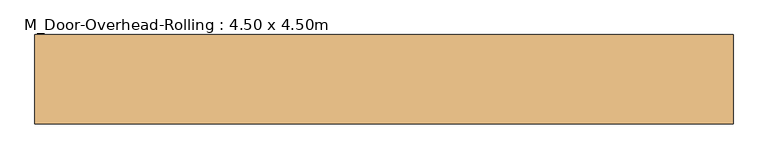
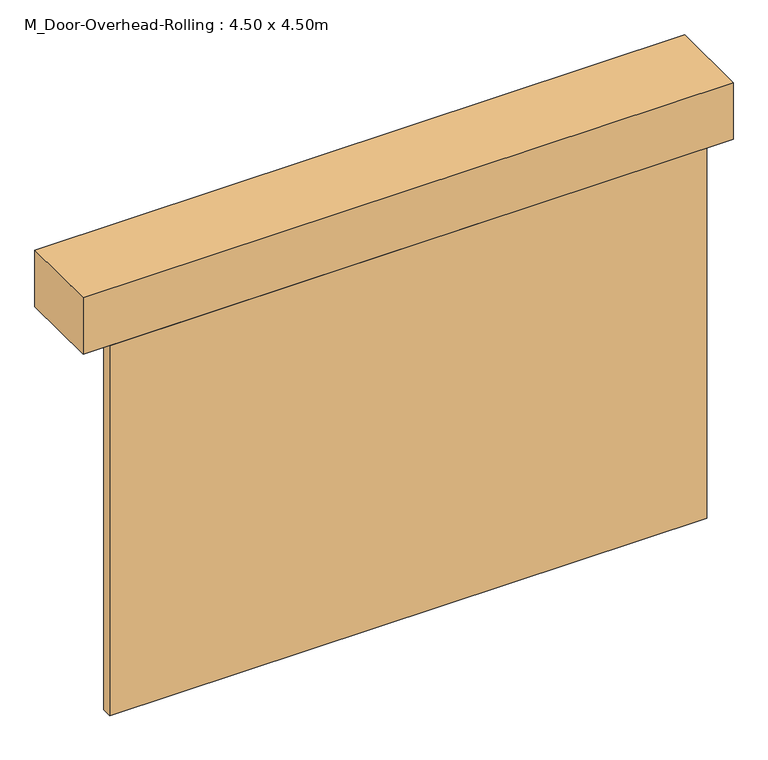
"""IFC4 building model written with IfcOpenShell, lengths in millimetres: door geometry, M_Door-Overhead-Rolling : 4.50 x 4.50m."""

from ifc_helpers import new_model, si_unit, frame, origin, origin_with_axes, place, context, project, spatial, polyline, outline, extrude, source, transform, mapped, element, save


def m_door_overhead_rolling_4_50_x_4_50m_eb43a97d(model_context):
    return source(origin(), model_context, "Body", "SweptSolid", [
        extrude(outline(polyline([(2490.7, 738.8), (2490.7, 100.0), (-2490.7, 100.0), (-2490.7, 738.8), (2490.7, 738.8)])), frame((0.0, 0.0, 3000.0), z_axis=(0.0, 0.0, 1.0), x_axis=(1.0, 0.0, 0.0)), (0.0, 0.0, 1.0), 457.2),
        extrude(outline(polyline([(2287.5, 100.0), (-2287.5, 100.0), (-2287.5, 180.0), (2287.5, 180.0), (2287.5, 100.0)])), origin_with_axes(), (0.0, 0.0, 1.0), 3000.0),
    ])


if __name__ == "__main__":
    model = new_model("IFC4")
    model_context = context("Model", 3, world=origin())
    ifc_project = project(units=[si_unit("LENGTHUNIT", "METRE", prefix="MILLI")], contexts=[model_context])
    site = spatial("IfcSite", under=ifc_project)
    building = spatial("IfcBuilding", under=site)
    placement = place(None, origin())
    m_door_overhead_rolling_4_50_x_4_50m_shape = m_door_overhead_rolling_4_50_x_4_50m_eb43a97d(model_context)
    element("IfcDoor", 1, ObjectType="M_Door-Overhead-Rolling : 4.50 x 4.50m", at=placement, inside=building, context=model_context, shape_type="MappedRepresentation", body=[
        mapped(m_door_overhead_rolling_4_50_x_4_50m_shape, transform((0.0, 0.0, 0.0), x_axis=(1.0, 0.0, 0.0), y_axis=(0.0, 1.0, 0.0), z_axis=(0.0, 0.0, 1.0))),
    ])
    save(model, "model.ifc")
